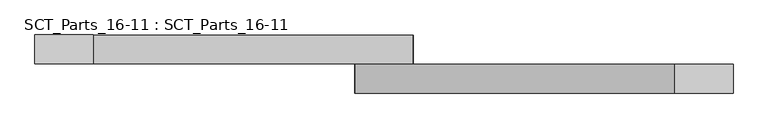
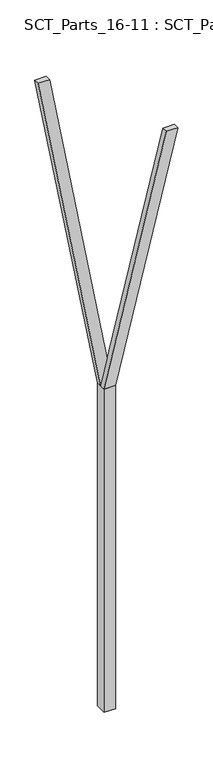
"""IFC4 building model written with IfcOpenShell, lengths in millimetres: proxy geometry, SCT_Parts_16-11 : SCT_Parts_16-11."""

from ifc_helpers import new_model, si_unit, frame, origin, origin_with_axes, place, context, project, spatial, polyline, outline, extrude, source, transform, mapped, element, save


def sct_parts_16_11_sct_parts_16_11_ecc59ab9(model_context):
    return source(origin(), model_context, "Body", "SweptSolid", [
        extrude(outline(polyline([(6000.0, 200.0), (10400.0, 1300.0), (10400.0, 1100.0), (6000.0, 0.0), (6000.0, 200.0)])), frame((0.0, -200.0, 0.0), z_axis=(0.0, 1.0, 0.0), x_axis=(0.0, 0.0, 1.0)), (0.0, 0.0, 1.0), 100.0),
        extrude(outline(polyline([(6000.0, 0.0), (6000.0, 200.0), (12000.0, -900.0), (12000.0, -1100.0), (6000.0, 0.0)])), frame((0.0, -100.0, 0.0), z_axis=(0.0, 1.0, 0.0), x_axis=(0.0, 0.0, 1.0)), (0.0, 0.0, 1.0), 100.0),
        extrude(outline(polyline([(200.0, -200.0), (0.0, -200.0), (0.0, 0.0), (200.0, 0.0), (200.0, -200.0)])), origin_with_axes(), (0.0, 0.0, 1.0), 6000.0),
    ])


if __name__ == "__main__":
    model = new_model("IFC4")
    model_context = context("Model", 3, world=origin())
    ifc_project = project(units=[si_unit("LENGTHUNIT", "METRE", prefix="MILLI")], contexts=[model_context])
    site = spatial("IfcSite", under=ifc_project)
    building = spatial("IfcBuilding", under=site)
    placement = place(None, origin())
    sct_parts_16_11_sct_parts_16_11_shape = sct_parts_16_11_sct_parts_16_11_ecc59ab9(model_context)
    element("IfcBuildingElementProxy", 1, Name="SCT_Parts_16-11 : SCT_Parts_16-11", ObjectType="SCT_Parts_16-11 : SCT_Parts_16-11", at=placement, inside=building, context=model_context, shape_type="MappedRepresentation", body=[
        mapped(sct_parts_16_11_sct_parts_16_11_shape, transform((0.0, 0.0, 0.0), x_axis=(1.0, 0.0, 0.0), y_axis=(0.0, 1.0, 0.0), z_axis=(0.0, 0.0, 1.0))),
    ])
    save(model, "model.ifc")
